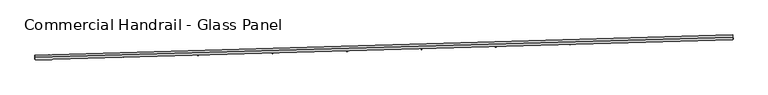
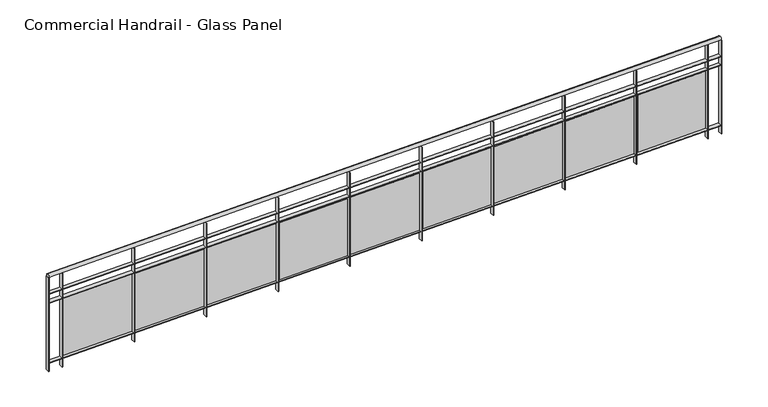
"""IFC4 building model written with IfcOpenShell, lengths in millimetres: railing geometry, Commercial Handrail - Glass Panel."""

import ifcopenshell
import ifcopenshell.guid

model = None  # the IFC model being written
_history = None  # IfcOwnerHistory: only IFC2X3 demands one
_inside = {}  # id of a spatial element -> (the spatial element, [elements in it])
_under = {}  # id of a project, library or spatial element -> (it, [spatial elements below it])
_declared = {}  # id of a project -> (the project, [libraries it declares])
_typed = {}  # id of a type object -> (the type object, [elements of that type])
_made_of = {}  # id of a material, layer set ... -> (it, [elements and type objects made of it])


def new_model(schema):
    """Start an empty IFC model of exactly this schema.

    Asked for "IFC4X3", IfcOpenShell would pick the latest addendum, in which some entities
    have other attributes; the version numbers below select the first issue.
    IFC2X3 requires an IfcOwnerHistory on every rooted entity: one is made here for all.
    """
    global model, _history
    if schema == "IFC4X3":
        model = ifcopenshell.file(schema_version=(4, 3, 0, 0))
    else:
        model = ifcopenshell.file(schema=schema)
    _inside.clear()
    _under.clear()
    _declared.clear()
    _typed.clear()
    _made_of.clear()
    _history = None
    if model.schema == "IFC2X3":
        org = make("IfcOrganization", Name="unknown")
        user = make(
            "IfcPersonAndOrganization",
            ThePerson=make("IfcPerson", FamilyName="unknown"),
            TheOrganization=org,
        )
        app = make(
            "IfcApplication",
            ApplicationDeveloper=org,
            Version="unknown",
            ApplicationFullName="unknown",
            ApplicationIdentifier="unknown",
        )
        _history = make(
            "IfcOwnerHistory",
            OwningUser=user,
            OwningApplication=app,
            ChangeAction="ADDED",
            CreationDate=0,
        )
    return model


def make(cls, **values):
    """One entity of the class cls with the attributes given. An attribute that is None is left unset."""
    return model.create_entity(
        cls, **{name: value for name, value in values.items() if value is not None}
    )


def rooted(cls, **values):
    """An entity with a GlobalId (a new one), such as an element, a storey or a relation."""
    return make(cls, GlobalId=ifcopenshell.guid.new(), OwnerHistory=_history, **values)


def si_unit(unit_type, name, prefix=None):
    """IfcSIUnit, for example si_unit("LENGTHUNIT", "METRE", prefix="MILLI")."""
    return make("IfcSIUnit", UnitType=unit_type, Prefix=prefix, Name=name)


def assignment(units):
    """IfcUnitAssignment: the units of a project."""
    return None if units is None else make("IfcUnitAssignment", Units=units)


def point(xyz):
    """IfcCartesianPoint."""
    return None if xyz is None else make("IfcCartesianPoint", Coordinates=xyz)


def direction(xyz):
    """IfcDirection."""
    return None if xyz is None else make("IfcDirection", DirectionRatios=xyz)


def frame(location, z_axis=None, x_axis=None):
    """IfcAxis2Placement3D, a coordinate frame: its origin and axes. An axis left out is left unset."""
    return make(
        "IfcAxis2Placement3D",
        Location=point(location),
        Axis=direction(z_axis),
        RefDirection=direction(x_axis),
    )


def origin():
    """The frame at (0, 0, 0) with its axes left unset."""
    return frame((0.0, 0.0, 0.0))


def place(relative_to, where):
    """IfcLocalPlacement: puts the frame where relative to a parent placement (None: the world)."""
    return make(
        "IfcLocalPlacement", PlacementRelTo=relative_to, RelativePlacement=where
    )


def context(
    kind, dimensions, precision=None, world=None, true_north=None, identifier=None
):
    """IfcGeometricRepresentationContext, for example the 3D "Model" context."""
    return make(
        "IfcGeometricRepresentationContext",
        ContextIdentifier=identifier,
        ContextType=kind,
        CoordinateSpaceDimension=dimensions,
        Precision=precision,
        WorldCoordinateSystem=world,
        TrueNorth=true_north,
    )


def project(units=None, contexts=None):
    """IfcProject with its units and contexts."""
    return rooted(
        "IfcProject",
        Name="project",
        RepresentationContexts=contexts,
        UnitsInContext=assignment(units),
    )


def spatial(cls, under=None, at=None, **own):
    """A site, building, storey or space (cls), placed at a placement, below another one or the project."""
    s = rooted(cls, ObjectPlacement=at, **own)
    if under is not None:
        _under.setdefault(under.id(), (under, []))[1].append(s)
    return s


def polyline(points):
    """IfcPolyline through the points."""
    return make("IfcPolyline", Points=[point(p) for p in points])


def circle_curve(where, radius):
    """IfcCircle in the frame where."""
    return make("IfcCircle", Position=where, Radius=radius)


def ellipse_curve(where, semi_axis1, semi_axis2):
    """IfcEllipse in the frame where."""
    return make(
        "IfcEllipse", Position=where, SemiAxis1=semi_axis1, SemiAxis2=semi_axis2
    )


def trimmed(basis, trim1, trim2, sense, master):
    """IfcTrimmedCurve: the piece of a basis curve between two trims."""
    return make(
        "IfcTrimmedCurve",
        BasisCurve=basis,
        Trim1=trim1,
        Trim2=trim2,
        SenseAgreement=sense,
        MasterRepresentation=master,
    )


def outline(outer, holes=None, kind="AREA"):
    """IfcArbitraryClosedProfileDef: a profile drawn as a closed curve; with holes, ...WithVoids."""
    if holes is None:
        return make("IfcArbitraryClosedProfileDef", ProfileType=kind, OuterCurve=outer)
    return make(
        "IfcArbitraryProfileDefWithVoids",
        ProfileType=kind,
        OuterCurve=outer,
        InnerCurves=holes,
    )


def extrude(swept, where, along, depth):
    """IfcExtrudedAreaSolid: the profile swept, set in the frame where, extruded along a direction by depth."""
    return make(
        "IfcExtrudedAreaSolid",
        SweptArea=swept,
        Position=where,
        ExtrudedDirection=direction(along),
        Depth=depth,
    )


def shape(context_of_items, identifier, shape_type, items):
    """IfcShapeRepresentation: the items that make up one representation, for example the "Body"."""
    return make(
        "IfcShapeRepresentation",
        ContextOfItems=context_of_items,
        RepresentationIdentifier=identifier,
        RepresentationType=shape_type,
        Items=items,
    )


def source(mapping_origin, context_of_items, identifier, shape_type, items):
    """IfcRepresentationMap: a shape defined once, which mapped items show again and again."""
    return make(
        "IfcRepresentationMap",
        MappingOrigin=mapping_origin,
        MappedRepresentation=shape(context_of_items, identifier, shape_type, items),
    )


def transform(
    local_origin,
    x_axis=None,
    y_axis=None,
    z_axis=None,
    scale=None,
    scale2=None,
    scale3=None,
    uniform=True,
):
    """IfcCartesianTransformationOperator3D, or its non-uniform kind. x_axis, y_axis, z_axis: its Axis1, 2, 3."""
    if uniform:
        return make(
            "IfcCartesianTransformationOperator3D",
            Axis1=direction(x_axis),
            Axis2=direction(y_axis),
            LocalOrigin=point(local_origin),
            Scale=scale,
            Axis3=direction(z_axis),
        )
    return make(
        "IfcCartesianTransformationOperator3DnonUniform",
        Axis1=direction(x_axis),
        Axis2=direction(y_axis),
        LocalOrigin=point(local_origin),
        Scale=scale,
        Axis3=direction(z_axis),
        Scale2=scale2,
        Scale3=scale3,
    )


def mapped(mapping_source, mapping_target):
    """IfcMappedItem: shows the shape of a source again, moved by a transform."""
    return make(
        "IfcMappedItem", MappingSource=mapping_source, MappingTarget=mapping_target
    )


def made_of(thing, what):
    """Note that an element or type object is made of a material, layer set ...; save() writes the relation."""
    if what is not None:
        _made_of.setdefault(what.id(), (what, []))[1].append(thing)
    return thing


def element(
    cls,
    number,
    at=None,
    inside=None,
    cuts=None,
    type_object=None,
    material=None,
    context=None,
    identifier="Body",
    shape_type=None,
    held_by="IfcProductDefinitionShape",
    body=None,
    shapes=None,
    **own,
):
    """One element of the class cls, such as IfcWall. Its Tag is "e" and its number.

    at: its placement. inside: the storey or other place that contains it. cuts: it is an
    opening in that element (IfcRelVoidsElement). A single representation is given by context,
    identifier, shape_type and body (its items); several are given by shapes. held_by: the class
    of the entity that holds the representations. save() writes the other relations.
    """
    e = rooted(cls, Tag="e%d" % number, ObjectPlacement=at, **own)
    if body is not None:
        shapes = [shape(context, identifier, shape_type, body)]
    if shapes is not None:
        e.Representation = make(held_by, Representations=shapes)
    if inside is not None:
        _inside.setdefault(inside.id(), (inside, []))[1].append(e)
    if cuts is not None:
        rooted(
            "IfcRelVoidsElement", RelatingBuildingElement=cuts, RelatedOpeningElement=e
        )
    if type_object is not None:
        _typed.setdefault(type_object.id(), (type_object, []))[1].append(e)
    return made_of(e, material)


def aggregate(whole, parts):
    """IfcRelAggregates: a whole, such as a stair, and the parts it consists of."""
    return rooted("IfcRelAggregates", RelatingObject=whole, RelatedObjects=parts)


def save(model, path):
    """Write the relations noted so far, then the file.

    IfcRelAggregates (storeys below a building ...), IfcRelContainedInSpatialStructure (elements
    in a storey), IfcRelDefinesByType, IfcRelAssociatesMaterial and IfcRelDeclares: one each for
    every whole, place, type object, material and project.
    """
    for whole, parts in _under.values():
        aggregate(whole, parts)
    for where, things in _inside.values():
        rooted(
            "IfcRelContainedInSpatialStructure",
            RelatedElements=things,
            RelatingStructure=where,
        )
    for kind, things in _typed.values():
        rooted("IfcRelDefinesByType", RelatedObjects=things, RelatingType=kind)
    for what, things in _made_of.values():
        rooted("IfcRelAssociatesMaterial", RelatedObjects=things, RelatingMaterial=what)
    for by, libraries in _declared.values():
        rooted("IfcRelDeclares", RelatingContext=by, RelatedDefinitions=libraries)
    model.write(path)


def plane_surface(at):
    """IfcPlane: the flat surface through the origin of the frame at, square to its z axis."""
    return make("IfcPlane", Position=at)


def cylinder_surface(at, radius):
    """IfcCylindricalSurface: all points at the distance radius from the z axis of the frame at."""
    return make("IfcCylindricalSurface", Position=at, Radius=radius)


def revolved_surface(curve, axis_point, axis_direction):
    """IfcSurfaceOfRevolution: the curve turned about the line through axis_point along axis_direction."""
    return make(
        "IfcSurfaceOfRevolution",
        SweptCurve=make("IfcArbitraryOpenProfileDef", ProfileType="CURVE", Curve=curve),
        AxisPosition=make("IfcAxis1Placement", Location=point(axis_point), Axis=direction(axis_direction)),
    )


def advanced_brep(points, edges, surfaces, faces):
    """IfcAdvancedBrep: a solid bounded by faces that lie on surfaces and meet in shared edges.

    An edge is (start, end): straight between two places in points (the first is 0);
    or (start, end, curve); or (start, end, curve, False) where it runs against its curve.
    A face is (place in surfaces, loops), or (place, loops, False) where it looks against
    its surface's normal. A loop lists edges by number (the first is 1), with a minus sign
    where the edge is run from its end to its start. The first loop is the outer one.
    """
    corners = [point(p) for p in points]
    vertices = [make("IfcVertexPoint", VertexGeometry=c) for c in corners]
    made = []
    for start, end, *more in edges:
        made.append(
            make(
                "IfcEdgeCurve",
                EdgeStart=vertices[start],
                EdgeEnd=vertices[end],
                EdgeGeometry=more[0] if more else make("IfcPolyline", Points=[corners[start], corners[end]]),
                SameSense=more[1] if len(more) > 1 else True,
            )
        )
    hull = []
    for where, loops, *sense in faces:
        bounds = []
        for j, loop in enumerate(loops):
            ring = [make("IfcOrientedEdge", EdgeElement=made[abs(k) - 1], Orientation=k > 0) for k in loop]
            bounds.append(
                make(
                    "IfcFaceOuterBound" if j == 0 else "IfcFaceBound",
                    Bound=make("IfcEdgeLoop", EdgeList=ring),
                    Orientation=True,
                )
            )
        hull.append(make("IfcAdvancedFace", Bounds=bounds, FaceSurface=surfaces[where], SameSense=sense[0] if sense else True))
    return make("IfcAdvancedBrep", Outer=make("IfcClosedShell", CfsFaces=hull))


def commercial_handrail_glass_panel_05c59b60(model_context):
    return source(origin(), model_context, "Body", "SolidModel", [
        advanced_brep(
        [(92002.383663, -32667.3922557, 9482.5), (99494.9420754, -32451.0584411, 9482.5), (99494.9420754, -32451.0584411, 9517.5), (92002.383663, -32667.3922557, 9517.5)],
        [
            (0, 1, circle_curve(frame((80860.2598568, 483089.3774887, 9482.5), z_axis=(0.0, 0.0, 1.0), x_axis=(0.0361223280953345, -0.9993473757472788, 0.0)), 515877.1098432)),
            (1, 2, ellipse_curve(frame((99494.9420754, -32451.0584411, 9500.0), z_axis=(-0.9993473757472793, -0.03612232809532802, 0.0), x_axis=(-0.03612232809532801, 0.999347375747279, 0.0)), 25.0, 17.5)),
            (2, 3, circle_curve(frame((80860.2598568, 483089.3774887, 9517.5), z_axis=(0.0, 0.0, -1.0), x_axis=(0.0361223280953345, -0.9993473757472788, 0.0)), 515877.1098432)),
            (3, 0, ellipse_curve(frame((92002.383663, -32667.3922557, 9500.0), z_axis=(0.9997667271983505, 0.021598407050044104, 0.0), x_axis=(-0.0215984070500441, 0.9997667271983502, 0.0)), 25.0, 17.5)),
            (2, 1, ellipse_curve(frame((99494.9420754, -32451.0584411, 9500.0), z_axis=(-0.9993473757472793, -0.03612232809532802, 0.0), x_axis=(-0.03612232809532801, 0.999347375747279, 0.0)), 25.0, 17.5)),
            (0, 3, ellipse_curve(frame((92002.383663, -32667.3922557, 9500.0), z_axis=(0.9997667271983505, 0.021598407050044104, 0.0), x_axis=(-0.0215984070500441, 0.9997667271983502, 0.0)), 25.0, 17.5)),
        ],
        [
            revolved_surface(trimmed(ellipse_curve(frame((99494.9420754, -32451.0584411, 9500.0), z_axis=(0.9993473757472788, 0.036122328095334506, 0.0), x_axis=(0.0, 0.0, -1.0)), 17.5, 25.0), [point((99494.9420754, -32451.0584411, 9517.5))], [point((99494.9420754, -32451.0584411, 9482.5))], True, "CARTESIAN"), (80860.2598568, 483089.3774887, 9500.0), (0.0, 0.0, -1.0)),
            revolved_surface(trimmed(ellipse_curve(frame((99494.9420754, -32451.0584411, 9500.0), z_axis=(0.9993473757472788, 0.036122328095334506, 0.0), x_axis=(0.0, 0.0, -1.0)), 17.5, 25.0), [point((99494.9420754, -32451.0584411, 9482.5))], [point((99494.9420754, -32451.0584411, 9517.5))], True, "CARTESIAN"), (80860.2598568, 483089.3774887, 9500.0), (0.0, 0.0, -1.0)),
            plane_surface(frame((99494.9420754, -32451.0584411, 9500.0), z_axis=(0.9993473757472789, 0.03612232809533451, 0.0), x_axis=(0.03612232809533451, -0.9993473757472789, 0.0))),
            plane_surface(frame((92002.383663, -32667.3922557, 9500.0), z_axis=(-0.9997667271983504, -0.021598407050044077, 0.0), x_axis=(0.021598407050044077, -0.9997667271983504, 0.0))),
        ],
        [
            (0, [[1, 2, 3, 4]]),
            (1, [[-3, 5, -1, 6]]),
            (2, [[-2, -5]]),
            (3, [[-6, -4]]),
        ],
    ),
        advanced_brep(
        [(92002.8696271, -32689.8870071, 9300.0), (99495.7548278, -32473.5437571, 9300.0), (99494.129323, -32428.5731252, 9300.0), (92001.8976988, -32644.8975044, 9300.0), (92002.8696271, -32689.8870071, 9294.0), (99495.7548278, -32473.5437571, 9294.0), (92001.8976988, -32644.8975044, 9294.0), (99494.129323, -32428.5731252, 9294.0)],
        [
            (0, 1, circle_curve(frame((80860.2598568, 483089.3774887, 9300.0), z_axis=(0.0, 0.0, 1.0), x_axis=(0.0361223280953345, -0.9993473757472788, 0.0)), 515899.6098432)),
            (1, 2),
            (2, 3, circle_curve(frame((80860.2598568, 483089.3774887, 9300.0), z_axis=(0.0, 0.0, -1.0), x_axis=(0.0361223280953345, -0.9993473757472788, 0.0)), 515854.6098432)),
            (3, 0),
            (4, 5, circle_curve(frame((80860.2598568, 483089.3774887, 9294.0), z_axis=(0.0, 0.0, 1.0), x_axis=(0.0361223280953345, -0.9993473757472788, 0.0)), 515899.6098432)),
            (5, 1),
            (0, 4),
            (6, 7, circle_curve(frame((80860.2598568, 483089.3774887, 9294.0), z_axis=(0.0, 0.0, 1.0), x_axis=(0.0361223280953345, -0.9993473757472788, 0.0)), 515854.6098432)),
            (7, 5),
            (4, 6),
            (2, 7),
            (6, 3),
        ],
        [
            plane_surface(frame((80860.2598568, 483089.3774887, 9300.0), z_axis=(0.0, 0.0, 1.0), x_axis=(0.036122328095334506, -0.9993473757472789, 0.0))),
            cylinder_surface(frame((80860.2598568, 483089.3774887, 9300.0), z_axis=(0.0, 0.0, -1.0), x_axis=(0.0361223280953345, -0.9993473757472788, 0.0)), 515899.6098432),
            plane_surface(frame((80860.2598568, 483089.3774887, 9294.0), z_axis=(0.0, 0.0, -1.0), x_axis=(0.036122328095334506, -0.9993473757472789, 0.0))),
            revolved_surface(polyline([(99494.12932304683, -32428.573125238356, 9294.0), (99494.12932304683, -32428.573125238356, 9300.0)]), (80860.2598568, 483089.3774887, 9300.0), (0.0, 0.0, -1.0)),
            plane_surface(frame((99494.9420754, -32451.0584411, 9300.0), z_axis=(0.9993473757472789, 0.03612232809533451, 0.0), x_axis=(0.03612232809533451, -0.9993473757472789, 0.0))),
            plane_surface(frame((92002.383663, -32667.3922557, 9300.0), z_axis=(-0.9997667271983504, -0.021598407050044077, 0.0), x_axis=(0.021598407050044077, -0.9997667271983504, 0.0))),
        ],
        [
            (0, [[1, 2, 3, 4]]),
            (1, [[5, 6, -1, 7]]),
            (2, [[8, 9, -5, 10]]),
            (3, [[-3, 11, -8, 12]]),
            (4, [[-2, -6, -9, -11]]),
            (5, [[-12, -10, -7, -4]]),
        ],
    ),
        advanced_brep(
        [(92002.8696271, -32689.8870071, 9200.0), (99495.7548278, -32473.5437571, 9200.0), (99494.129323, -32428.5731252, 9200.0), (92001.8976988, -32644.8975044, 9200.0), (92002.8696271, -32689.8870071, 9194.0), (99495.7548278, -32473.5437571, 9194.0), (92001.8976988, -32644.8975044, 9194.0), (99494.129323, -32428.5731252, 9194.0)],
        [
            (0, 1, circle_curve(frame((80860.2598568, 483089.3774887, 9200.0), z_axis=(0.0, 0.0, 1.0), x_axis=(0.0361223280953345, -0.9993473757472788, 0.0)), 515899.6098432)),
            (1, 2),
            (2, 3, circle_curve(frame((80860.2598568, 483089.3774887, 9200.0), z_axis=(0.0, 0.0, -1.0), x_axis=(0.0361223280953345, -0.9993473757472788, 0.0)), 515854.6098432)),
            (3, 0),
            (4, 5, circle_curve(frame((80860.2598568, 483089.3774887, 9194.0), z_axis=(0.0, 0.0, 1.0), x_axis=(0.0361223280953345, -0.9993473757472788, 0.0)), 515899.6098432)),
            (5, 1),
            (0, 4),
            (6, 7, circle_curve(frame((80860.2598568, 483089.3774887, 9194.0), z_axis=(0.0, 0.0, 1.0), x_axis=(0.0361223280953345, -0.9993473757472788, 0.0)), 515854.6098432)),
            (7, 5),
            (4, 6),
            (2, 7),
            (6, 3),
        ],
        [
            plane_surface(frame((80860.2598568, 483089.3774887, 9200.0), z_axis=(0.0, 0.0, 1.0), x_axis=(0.036122328095334506, -0.9993473757472789, 0.0))),
            cylinder_surface(frame((80860.2598568, 483089.3774887, 9200.0), z_axis=(0.0, 0.0, -1.0), x_axis=(0.0361223280953345, -0.9993473757472788, 0.0)), 515899.6098432),
            plane_surface(frame((80860.2598568, 483089.3774887, 9194.0), z_axis=(0.0, 0.0, -1.0), x_axis=(0.036122328095334506, -0.9993473757472789, 0.0))),
            revolved_surface(polyline([(99494.12932304683, -32428.573125238356, 9194.0), (99494.12932304683, -32428.573125238356, 9200.0)]), (80860.2598568, 483089.3774887, 9200.0), (0.0, 0.0, -1.0)),
            plane_surface(frame((99494.9420754, -32451.0584411, 9200.0), z_axis=(0.9993473757472789, 0.03612232809533451, 0.0), x_axis=(0.03612232809533451, -0.9993473757472789, 0.0))),
            plane_surface(frame((92002.383663, -32667.3922557, 9200.0), z_axis=(-0.9997667271983504, -0.021598407050044077, 0.0), x_axis=(0.021598407050044077, -0.9997667271983504, 0.0))),
        ],
        [
            (0, [[1, 2, 3, 4]]),
            (1, [[5, 6, -1, 7]]),
            (2, [[8, 9, -5, 10]]),
            (3, [[-3, 11, -8, 12]]),
            (4, [[-2, -6, -9, -11]]),
            (5, [[-12, -10, -7, -4]]),
        ],
    ),
        advanced_brep(
        [(92002.8696271, -32689.8870071, 8500.0), (99495.7548278, -32473.5437571, 8500.0), (99494.129323, -32428.5731252, 8500.0), (92001.8976988, -32644.8975044, 8500.0), (92002.8696271, -32689.8870071, 8494.0), (99495.7548278, -32473.5437571, 8494.0), (92001.8976988, -32644.8975044, 8494.0), (99494.129323, -32428.5731252, 8494.0)],
        [
            (0, 1, circle_curve(frame((80860.2598568, 483089.3774887, 8500.0), z_axis=(0.0, 0.0, 1.0), x_axis=(0.0361223280953345, -0.9993473757472788, 0.0)), 515899.6098432)),
            (1, 2),
            (2, 3, circle_curve(frame((80860.2598568, 483089.3774887, 8500.0), z_axis=(0.0, 0.0, -1.0), x_axis=(0.0361223280953345, -0.9993473757472788, 0.0)), 515854.6098432)),
            (3, 0),
            (4, 5, circle_curve(frame((80860.2598568, 483089.3774887, 8494.0), z_axis=(0.0, 0.0, 1.0), x_axis=(0.0361223280953345, -0.9993473757472788, 0.0)), 515899.6098432)),
            (5, 1),
            (0, 4),
            (6, 7, circle_curve(frame((80860.2598568, 483089.3774887, 8494.0), z_axis=(0.0, 0.0, 1.0), x_axis=(0.0361223280953345, -0.9993473757472788, 0.0)), 515854.6098432)),
            (7, 5),
            (4, 6),
            (2, 7),
            (6, 3),
        ],
        [
            plane_surface(frame((80860.2598568, 483089.3774887, 8500.0), z_axis=(0.0, 0.0, 1.0), x_axis=(0.036122328095334506, -0.9993473757472789, 0.0))),
            cylinder_surface(frame((80860.2598568, 483089.3774887, 8500.0), z_axis=(0.0, 0.0, -1.0), x_axis=(0.0361223280953345, -0.9993473757472788, 0.0)), 515899.6098432),
            plane_surface(frame((80860.2598568, 483089.3774887, 8494.0), z_axis=(0.0, 0.0, -1.0), x_axis=(0.036122328095334506, -0.9993473757472789, 0.0))),
            revolved_surface(polyline([(99494.12932304683, -32428.573125238356, 8494.0), (99494.12932304683, -32428.573125238356, 8500.0)]), (80860.2598568, 483089.3774887, 8500.0), (0.0, 0.0, -1.0)),
            plane_surface(frame((99494.9420754, -32451.0584411, 8500.0), z_axis=(0.9993473757472789, 0.03612232809533451, 0.0), x_axis=(0.03612232809533451, -0.9993473757472789, 0.0))),
            plane_surface(frame((92002.383663, -32667.3922557, 8500.0), z_axis=(-0.9997667271983504, -0.021598407050044077, 0.0), x_axis=(0.021598407050044077, -0.9997667271983504, 0.0))),
        ],
        [
            (0, [[1, 2, 3, 4]]),
            (1, [[5, 6, -1, 7]]),
            (2, [[8, 9, -5, 10]]),
            (3, [[-3, 11, -8, 12]]),
            (4, [[-2, -6, -9, -11]]),
            (5, [[-12, -10, -7, -4]]),
        ],
    ),
        extrude(outline(polyline([(92152.728988, -32641.616971), (92153.7138122, -32686.6061932), (92147.7152493, -32686.7375031), (92146.730425, -32641.7482809), (92152.728988, -32641.616971)])), frame((0.0, 0.0, 8400.0), z_axis=(0.0, 0.0, 1.0), x_axis=(1.0, 0.0, 0.0)), (0.0, 0.0, 1.0), 1082.1192282),
        extrude(outline(polyline([(92930.1612694, -32652.6558005), (92170.3564181, -32669.8775298), (92170.0844961, -32657.8806111), (92929.8893474, -32640.6588818), (92930.1612694, -32652.6558005)])), frame((0.0, 0.0, 8520.0), z_axis=(0.0, 0.0, 1.0), x_axis=(1.0, 0.0, 0.0)), (0.0, 0.0, 1.0), 660.0),
        extrude(outline(polyline([(92952.4884996, -32623.4849763), (92953.5430901, -32668.4726173), (92947.5447379, -32668.6132293), (92946.4901475, -32623.6255884), (92952.4884996, -32623.4849763)])), frame((0.0, 0.0, 8400.0), z_axis=(0.0, 0.0, 1.0), x_axis=(1.0, 0.0, 0.0)), (0.0, 0.0, 1.0), 1082.1192282),
        extrude(outline(polyline([(93729.9369648, -32633.3181846), (92970.1597338, -32651.7181653), (92969.8692078, -32639.7216827), (93729.6464388, -32621.321702), (93729.9369648, -32633.3181846)])), frame((0.0, 0.0, 8520.0), z_axis=(0.0, 0.0, 1.0), x_axis=(1.0, 0.0, 0.0)), (0.0, 0.0, 1.0), 660.0),
        extrude(outline(polyline([(93752.2189314, -32604.1127714), (93753.3432854, -32649.0987228), (93747.3451585, -32649.2486367), (93746.2208045, -32604.2626853), (93752.2189314, -32604.1127714)])), frame((0.0, 0.0, 8400.0), z_axis=(0.0, 0.0, 1.0), x_axis=(1.0, 0.0, 0.0)), (0.0, 0.0, 1.0), 1082.1192282),
        extrude(outline(polyline([(94529.6817106, -32612.7403348), (93769.9339271, -32632.3185227), (93769.6247978, -32620.322505), (94529.3725813, -32600.7443171), (94529.6817106, -32612.7403348)])), frame((0.0, 0.0, 8520.0), z_axis=(0.0, 0.0, 1.0), x_axis=(1.0, 0.0, 0.0)), (0.0, 0.0, 1.0), 660.0),
        extrude(outline(polyline([(94551.9183599, -32583.5004028), (94553.1124748, -32628.4845565), (94547.1145876, -32628.6437718), (94545.9204727, -32583.6596181), (94551.9183599, -32583.5004028)])), frame((0.0, 0.0, 8400.0), z_axis=(0.0, 0.0, 1.0), x_axis=(1.0, 0.0, 0.0)), (0.0, 0.0, 1.0), 1082.1192282),
        extrude(outline(polyline([(95329.3935836, -32590.9223004), (94569.6770746, -32611.6786485), (94569.3493428, -32599.6831246), (95329.0658518, -32578.9267766), (95329.3935836, -32590.9223004)])), frame((0.0, 0.0, 8520.0), z_axis=(0.0, 0.0, 1.0), x_axis=(1.0, 0.0, 0.0)), (0.0, 0.0, 1.0), 660.0),
        extrude(outline(polyline([(95351.5848621, -32561.64792), (95352.848735, -32606.6301679), (95346.851102, -32606.7986842), (95345.587229, -32561.8164364), (95351.5848621, -32561.64792)])), frame((0.0, 0.0, 8400.0), z_axis=(0.0, 0.0, 1.0), x_axis=(1.0, 0.0, 0.0)), (0.0, 0.0, 1.0), 1082.1192282),
        extrude(outline(polyline([(96129.0706605, -32567.8641341), (95369.387253, -32589.7985923), (95369.0409195, -32577.8035912), (96128.7243269, -32555.869133), (96129.0706605, -32567.8641341)])), frame((0.0, 0.0, 8520.0), z_axis=(0.0, 0.0, 1.0), x_axis=(1.0, 0.0, 0.0)), (0.0, 0.0, 1.0), 660.0),
        extrude(outline(polyline([(96151.2165149, -32538.5553756), (96152.5501428, -32583.5356094), (96146.5527783, -32583.7134265), (96145.2191504, -32538.7331926), (96151.2165149, -32538.5553756)])), frame((0.0, 0.0, 8400.0), z_axis=(0.0, 0.0, 1.0), x_axis=(1.0, 0.0, 0.0)), (0.0, 0.0, 1.0), 1082.1192282),
        extrude(outline(polyline([(96928.7110182, -32543.5658913), (96169.0625392, -32566.678407), (96168.6976048, -32554.6839573), (96928.3460838, -32531.5714416), (96928.7110182, -32543.5658913)])), frame((0.0, 0.0, 8520.0), z_axis=(0.0, 0.0, 1.0), x_axis=(1.0, 0.0, 0.0)), (0.0, 0.0, 1.0), 660.0),
        extrude(outline(polyline([(96950.8113953, -32514.2228252), (96952.214775, -32559.2009368), (96946.2176934, -32559.3880541), (96944.8143137, -32514.4099424), (96950.8113953, -32514.2228252)])), frame((0.0, 0.0, 8400.0), z_axis=(0.0, 0.0, 1.0), x_axis=(1.0, 0.0, 0.0)), (0.0, 0.0, 1.0), 1082.1192282),
        extrude(outline(polyline([(97728.3127338, -32518.0276303), (96968.7010101, -32542.3181479), (96968.3174756, -32530.3242785), (97727.9291993, -32506.033761), (97728.3127338, -32518.0276303)])), frame((0.0, 0.0, 8520.0), z_axis=(0.0, 0.0, 1.0), x_axis=(1.0, 0.0, 0.0)), (0.0, 0.0, 1.0), 660.0),
        extrude(outline(polyline([(97750.3675803, -32488.6503272), (97751.8407084, -32533.6262084), (97745.8439243, -32533.8226255), (97744.3707962, -32488.8467443), (97750.3675803, -32488.6503272)])), frame((0.0, 0.0, 8400.0), z_axis=(0.0, 0.0, 1.0), x_axis=(1.0, 0.0, 0.0)), (0.0, 0.0, 1.0), 1082.1192282),
        extrude(outline(polyline([(98527.8738843, -32491.2494127), (97768.3007427, -32516.7178737), (97767.8986091, -32504.7246135), (98527.4717507, -32479.2561525), (98527.8738843, -32491.2494127)])), frame((0.0, 0.0, 8520.0), z_axis=(0.0, 0.0, 1.0), x_axis=(1.0, 0.0, 0.0)), (0.0, 0.0, 1.0), 660.0),
        extrude(outline(polyline([(98549.8831473, -32461.8379432), (98551.4260203, -32506.8114859), (98545.4295479, -32507.0172022), (98543.8866749, -32462.0436595), (98549.8831473, -32461.8379432)])), frame((0.0, 0.0, 8400.0), z_axis=(0.0, 0.0, 1.0), x_axis=(1.0, 0.0, 0.0)), (0.0, 0.0, 1.0), 1082.1192282),
        extrude(outline(polyline([(99327.3925469, -32463.2313027), (98567.859814, -32489.8776459), (98567.4390823, -32477.8850238), (99326.9718152, -32451.2386806), (99327.3925469, -32463.2313027)])), frame((0.0, 0.0, 8520.0), z_axis=(0.0, 0.0, 1.0), x_axis=(1.0, 0.0, 0.0)), (0.0, 0.0, 1.0), 660.0),
        extrude(outline(polyline([(99349.3561734, -32433.7857376), (99350.9687875, -32478.7568336), (99344.9726414, -32478.9718488), (99343.3600273, -32434.0007528), (99349.3561734, -32433.7857376)])), frame((0.0, 0.0, 8400.0), z_axis=(0.0, 0.0, 1.0), x_axis=(1.0, 0.0, 0.0)), (0.0, 0.0, 1.0), 1082.1192282),
        extrude(outline(polyline([(92004.896999, -32644.8327091), (92005.8689273, -32689.8222119), (91999.870327, -32689.9518023), (91998.8983986, -32644.9622996), (92004.896999, -32644.8327091)])), frame((0.0, 0.0, 8400.0), z_axis=(0.0, 0.0, 1.0), x_axis=(1.0, 0.0, 0.0)), (0.0, 0.0, 1.0), 1082.1192282),
        extrude(outline(polyline([(99497.1273652, -32428.4647582), (99498.7528699, -32473.4353901), (99492.7567857, -32473.6521241), (99491.1312809, -32428.6814922), (99497.1273652, -32428.4647582)])), frame((0.0, 0.0, 8400.0), z_axis=(0.0, 0.0, 1.0), x_axis=(1.0, 0.0, 0.0)), (0.0, 0.0, 1.0), 1082.1192282),
    ])


if __name__ == "__main__":
    model = new_model("IFC4")
    model_context = context("Model", 3, world=origin())
    ifc_project = project(units=[si_unit("LENGTHUNIT", "METRE", prefix="MILLI")], contexts=[model_context])
    site = spatial("IfcSite", under=ifc_project)
    building = spatial("IfcBuilding", under=site)
    placement = place(None, origin())
    commercial_handrail_glass_panel_shape = commercial_handrail_glass_panel_05c59b60(model_context)
    element("IfcRailing", 1, ObjectType="Commercial Handrail - Glass Panel", at=placement, inside=building, context=model_context, shape_type="MappedRepresentation", body=[
        mapped(commercial_handrail_glass_panel_shape, transform((0.0, 0.0, 0.0), x_axis=(1.0, 0.0, 0.0), y_axis=(0.0, 1.0, 0.0), z_axis=(0.0, 0.0, 1.0))),
    ])
    save(model, "model.ifc")
